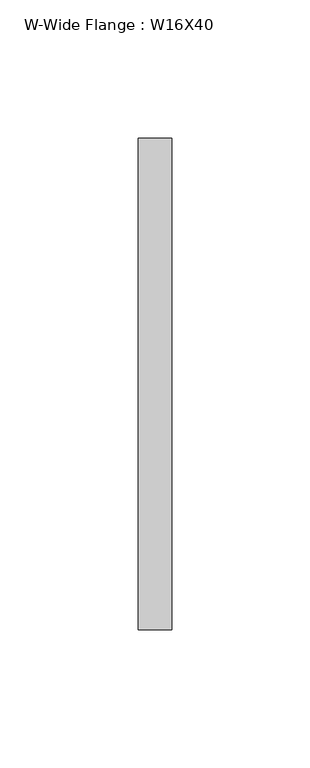
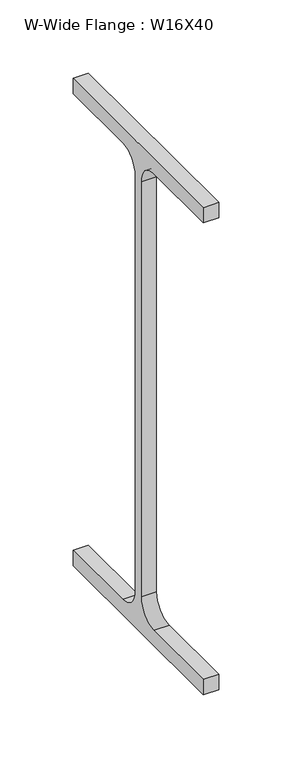
"""IFC4 building model written with IfcOpenShell, lengths in millimetres: beam geometry, W-Wide Flange : W16X40."""

from ifc_helpers import new_model, si_unit, point, frame, frame_2d, origin, place, context, project, spatial, polyline, circle_curve, trimmed, segment, composite_curve, outline, extrude, source, transform, mapped, element, save


def w_wide_flange_w16x40_fc86baae(model_context):
    return source(origin(), model_context, "Body", "SweptSolid", [
        extrude(outline(composite_curve([segment(polyline([(88.9, -190.4), (88.9, -203.2), (-88.9, -203.2), (-88.9, -190.4), (-21.25, -190.4)]), True, "CONTINUOUS"), segment(trimmed(circle_curve(frame_2d((-21.25, -173.0)), 17.4), [point((-21.25, -190.4))], [point((-3.85, -173.0))], True, "CARTESIAN"), True, "CONTINUOUS"), segment(polyline([(-3.85, -173.0), (-3.85, 173.0)]), True, "CONTINUOUS"), segment(trimmed(circle_curve(frame_2d((-21.25, 173.0)), 17.4), [point((-3.85, 173.0))], [point((-21.25, 190.4))], True, "CARTESIAN"), True, "CONTINUOUS"), segment(polyline([(-21.25, 190.4), (-88.9, 190.4), (-88.9, 203.2), (88.9, 203.2), (88.9, 190.4), (21.25, 190.4)]), True, "CONTINUOUS"), segment(trimmed(circle_curve(frame_2d((21.25, 173.0)), 17.4), [point((21.25, 190.4))], [point((3.85, 173.0))], True, "CARTESIAN"), True, "CONTINUOUS"), segment(polyline([(3.85, 173.0), (3.85, -173.0)]), True, "CONTINUOUS"), segment(trimmed(circle_curve(frame_2d((21.25, -173.0)), 17.4), [point((3.85, -173.0))], [point((21.25, -190.4))], True, "CARTESIAN"), True, "CONTINUOUS"), segment(polyline([(21.25, -190.4), (88.9, -190.4)]), True, "CONTINUOUS")], self_intersect=False)), frame((-657.8816743, 0.0, 0.0), z_axis=(1.0, 0.0, 0.0), x_axis=(0.0, 1.0, 0.0)), (0.0, 0.0, 1.0), 12.065811),
    ])


if __name__ == "__main__":
    model = new_model("IFC4")
    model_context = context("Model", 3, world=origin())
    ifc_project = project(units=[si_unit("LENGTHUNIT", "METRE", prefix="MILLI")], contexts=[model_context])
    site = spatial("IfcSite", under=ifc_project)
    building = spatial("IfcBuilding", under=site)
    placement = place(None, origin())
    w_wide_flange_w16x40_shape = w_wide_flange_w16x40_fc86baae(model_context)
    element("IfcBeam", 1, ObjectType="W-Wide Flange : W16X40", at=placement, inside=building, context=model_context, shape_type="MappedRepresentation", body=[
        mapped(w_wide_flange_w16x40_shape, transform((0.0, 0.0, 0.0), x_axis=(1.0, 0.0, 0.0), y_axis=(0.0, 1.0, 0.0), z_axis=(0.0, 0.0, 1.0))),
    ])
    save(model, "model.ifc")
